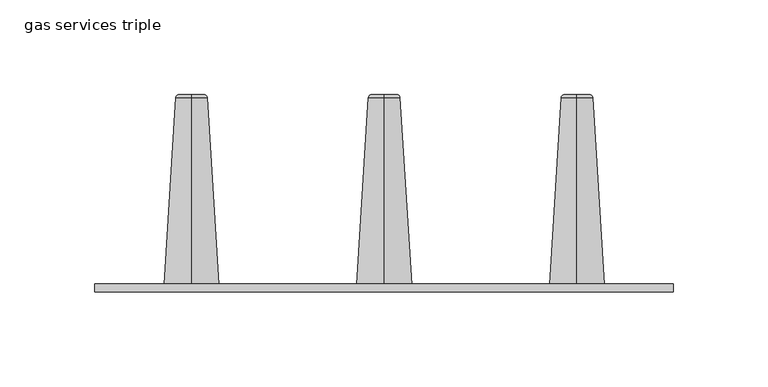
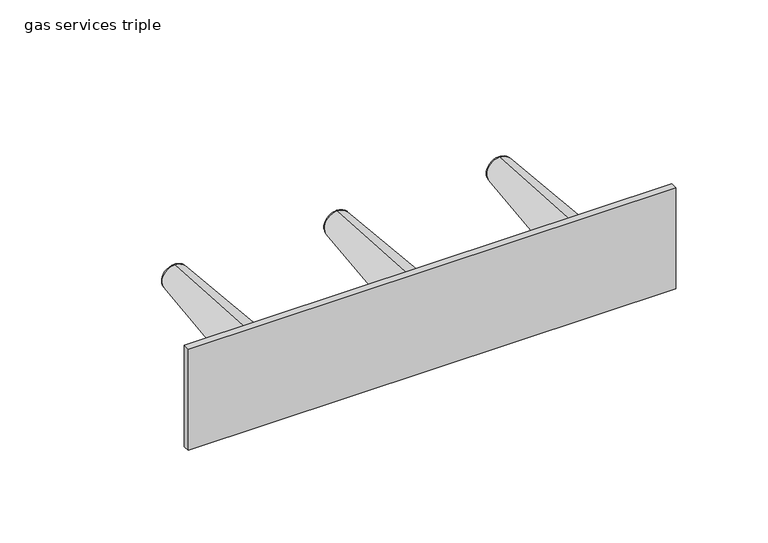
"""IFC4 building model written with IfcOpenShell, lengths in millimetres: flow terminal geometry, gas services triple."""

from ifc_helpers import new_model, si_unit, point, frame, origin, place, context, project, spatial, polyline, circle_curve, ellipse_curve, trimmed, outline, extrude, source, transform, mapped, element, save
from ifc_brep_helpers import plane_surface, revolved_surface, advanced_brep


def gas_services_triple_88c6d71e(model_context):
    return source(origin(), model_context, "Body", "SolidModel", [
        advanced_brep(
        [(-101.1154362, 38.357528, 1099.8610317), (-101.1154362, 38.357528, 1086.2096591), (-101.1154362, 38.357528, 1093.0353454), (-101.1154362, 36.9331421, 1101.3777753), (-101.1154362, 36.9331421, 1084.6929155), (-101.1154362, -61.6390268, 1107.5746328), (-101.1154362, -61.6390268, 1078.4960579), (-101.1154362, -61.6390268, 1093.0353454)],
        [
            (0, 1, circle_curve(frame((-101.1154362, 38.357528, 1093.0353454), z_axis=(0.0, 1.0, 0.0), x_axis=(0.0, 0.0, -1.0)), 6.8256863)),
            (1, 2),
            (2, 0),
            (1, 0, circle_curve(frame((-101.1154362, 38.357528, 1093.0353454), z_axis=(0.0, 1.0, 0.0), x_axis=(0.0, 0.0, -1.0)), 6.8256863)),
            (3, 4, circle_curve(frame((-101.1154362, 36.9331421, 1093.0353454), z_axis=(0.0, 1.0, 0.0), x_axis=(0.0, 0.0, -1.0)), 8.3424299)),
            (4, 1, circle_curve(frame((-101.1154362, 36.8377902, 1086.2096591), z_axis=(1.0, 0.0, 0.0), x_axis=(0.0, -1.0, 0.0)), 1.5197379)),
            (0, 3, circle_curve(frame((-101.1154362, 36.8377902, 1099.8610317), z_axis=(1.0, 0.0, 0.0), x_axis=(0.0, -1.0, 0.0)), 1.5197379)),
            (4, 3, circle_curve(frame((-101.1154362, 36.9331421, 1093.0353454), z_axis=(0.0, 1.0, 0.0), x_axis=(0.0, 0.0, -1.0)), 8.3424299)),
            (5, 6, circle_curve(frame((-101.1154362, -61.6390268, 1093.0353454), z_axis=(0.0, 1.0, 0.0), x_axis=(0.0, 0.0, -1.0)), 14.5392874)),
            (6, 4),
            (3, 5),
            (6, 5, circle_curve(frame((-101.1154362, -61.6390268, 1093.0353454), z_axis=(0.0, 1.0, 0.0), x_axis=(0.0, 0.0, -1.0)), 14.5392874)),
            (7, 6),
            (5, 7),
        ],
        [
            plane_surface(frame((-101.1154362, 38.357528, 1093.0353454), z_axis=(0.0, 1.0, 0.0), x_axis=(0.0, 0.0, -1.0))),
            revolved_surface(trimmed(ellipse_curve(frame((-101.1154362, 36.8377902, 1086.2096591), z_axis=(-1.0, 0.0, 0.0), x_axis=(0.0, -1.0, 0.0)), 1.5197379, 1.5197379), [point((-101.1154362, 38.357528, 1086.2096591))], [point((-101.1154362, 36.9331421, 1084.6929155))], True, "CARTESIAN"), (-101.1154362, -30.0256066, 1093.0353454), (0.0, -1.0, 0.0)),
            revolved_surface(polyline([(-101.1154362, 36.9331421, 1084.6929155), (-101.1154362, -61.6390268, 1078.4960579)]), (-101.1154362, -30.0256066, 1093.0353454), (0.0, -1.0, 0.0)),
            plane_surface(frame((-101.1154362, -61.6390268, 1093.0353454), z_axis=(0.0, -1.0, 0.0), x_axis=(0.0, 0.0, -1.0))),
        ],
        [
            (0, [[1, 2, 3]]),
            (0, [[4, -3, -2]]),
            (1, [[5, 6, -1, 7]]),
            (1, [[8, -7, -4, -6]]),
            (2, [[9, 10, -5, 11]]),
            (2, [[12, -11, -8, -10]]),
            (3, [[13, -9, 14]]),
            (3, [[-14, -12, -13]]),
        ],
    ),
        advanced_brep(
        [(102.0845638, 38.357528, 1099.8610317), (102.0845638, 38.357528, 1086.2096591), (102.0845638, 38.357528, 1093.0353454), (102.0845638, 36.9331421, 1101.3777753), (102.0845638, 36.9331421, 1084.6929155), (102.0845638, -61.6390268, 1107.5746328), (102.0845638, -61.6390268, 1078.4960579), (102.0845638, -61.6390268, 1093.0353454)],
        [
            (0, 1, circle_curve(frame((102.0845638, 38.357528, 1093.0353454), z_axis=(0.0, 1.0, 0.0), x_axis=(0.0, 0.0, -1.0)), 6.8256863)),
            (1, 2),
            (2, 0),
            (1, 0, circle_curve(frame((102.0845638, 38.357528, 1093.0353454), z_axis=(0.0, 1.0, 0.0), x_axis=(0.0, 0.0, -1.0)), 6.8256863)),
            (3, 4, circle_curve(frame((102.0845638, 36.9331421, 1093.0353454), z_axis=(0.0, 1.0, 0.0), x_axis=(0.0, 0.0, -1.0)), 8.3424299)),
            (4, 1, circle_curve(frame((102.0845638, 36.8377902, 1086.2096591), z_axis=(1.0, 0.0, 0.0), x_axis=(0.0, -1.0, 0.0)), 1.5197379)),
            (0, 3, circle_curve(frame((102.0845638, 36.8377902, 1099.8610317), z_axis=(1.0, 0.0, 0.0), x_axis=(0.0, -1.0, 0.0)), 1.5197379)),
            (4, 3, circle_curve(frame((102.0845638, 36.9331421, 1093.0353454), z_axis=(0.0, 1.0, 0.0), x_axis=(0.0, 0.0, -1.0)), 8.3424299)),
            (5, 6, circle_curve(frame((102.0845638, -61.6390268, 1093.0353454), z_axis=(0.0, 1.0, 0.0), x_axis=(0.0, 0.0, -1.0)), 14.5392874)),
            (6, 4),
            (3, 5),
            (6, 5, circle_curve(frame((102.0845638, -61.6390268, 1093.0353454), z_axis=(0.0, 1.0, 0.0), x_axis=(0.0, 0.0, -1.0)), 14.5392874)),
            (7, 6),
            (5, 7),
        ],
        [
            plane_surface(frame((102.0845638, 38.357528, 1093.0353454), z_axis=(0.0, 1.0, 0.0), x_axis=(0.0, 0.0, -1.0))),
            revolved_surface(trimmed(ellipse_curve(frame((102.0845638, 36.8377902, 1086.2096591), z_axis=(-1.0, 0.0, 0.0), x_axis=(0.0, -1.0, 0.0)), 1.5197379, 1.5197379), [point((102.0845638, 38.357528, 1086.2096591))], [point((102.0845638, 36.9331421, 1084.6929155))], True, "CARTESIAN"), (102.0845638, -30.0256066, 1093.0353454), (0.0, -1.0, 0.0)),
            revolved_surface(polyline([(102.0845638, 36.9331421, 1084.6929155), (102.0845638, -61.6390268, 1078.4960579)]), (102.0845638, -30.0256066, 1093.0353454), (0.0, -1.0, 0.0)),
            plane_surface(frame((102.0845638, -61.6390268, 1093.0353454), z_axis=(0.0, -1.0, 0.0), x_axis=(0.0, 0.0, -1.0))),
        ],
        [
            (0, [[1, 2, 3]]),
            (0, [[4, -3, -2]]),
            (1, [[5, 6, -1, 7]]),
            (1, [[8, -7, -4, -6]]),
            (2, [[9, 10, -5, 11]]),
            (2, [[12, -11, -8, -10]]),
            (3, [[13, -9, 14]]),
            (3, [[-14, -12, -13]]),
        ],
    ),
        advanced_brep(
        [(0.4845638, 38.357528, 1099.8610317), (0.4845638, 38.357528, 1086.2096591), (0.4845638, 38.357528, 1093.0353454), (0.4845638, 36.9331421, 1101.3777753), (0.4845638, 36.9331421, 1084.6929155), (0.4845638, -61.6390268, 1107.5746328), (0.4845638, -61.6390268, 1078.4960579), (0.4845638, -61.6390268, 1093.0353454)],
        [
            (0, 1, circle_curve(frame((0.4845638, 38.357528, 1093.0353454), z_axis=(0.0, 1.0, 0.0), x_axis=(0.0, 0.0, -1.0)), 6.8256863)),
            (1, 2),
            (2, 0),
            (1, 0, circle_curve(frame((0.4845638, 38.357528, 1093.0353454), z_axis=(0.0, 1.0, 0.0), x_axis=(0.0, 0.0, -1.0)), 6.8256863)),
            (3, 4, circle_curve(frame((0.4845638, 36.9331421, 1093.0353454), z_axis=(0.0, 1.0, 0.0), x_axis=(0.0, 0.0, -1.0)), 8.3424299)),
            (4, 1, circle_curve(frame((0.4845638, 36.8377902, 1086.2096591), z_axis=(1.0, 0.0, 0.0), x_axis=(0.0, -1.0, 0.0)), 1.5197379)),
            (0, 3, circle_curve(frame((0.4845638, 36.8377902, 1099.8610317), z_axis=(1.0, 0.0, 0.0), x_axis=(0.0, -1.0, 0.0)), 1.5197379)),
            (4, 3, circle_curve(frame((0.4845638, 36.9331421, 1093.0353454), z_axis=(0.0, 1.0, 0.0), x_axis=(0.0, 0.0, -1.0)), 8.3424299)),
            (5, 6, circle_curve(frame((0.4845638, -61.6390268, 1093.0353454), z_axis=(0.0, 1.0, 0.0), x_axis=(0.0, 0.0, -1.0)), 14.5392874)),
            (6, 4),
            (3, 5),
            (6, 5, circle_curve(frame((0.4845638, -61.6390268, 1093.0353454), z_axis=(0.0, 1.0, 0.0), x_axis=(0.0, 0.0, -1.0)), 14.5392874)),
            (7, 6),
            (5, 7),
        ],
        [
            plane_surface(frame((0.4845638, 38.357528, 1093.0353454), z_axis=(0.0, 1.0, 0.0), x_axis=(0.0, 0.0, -1.0))),
            revolved_surface(trimmed(ellipse_curve(frame((0.4845638, 36.8377902, 1086.2096591), z_axis=(-1.0, 0.0, 0.0), x_axis=(0.0, -1.0, 0.0)), 1.5197379, 1.5197379), [point((0.4845638, 38.357528, 1086.2096591))], [point((0.4845638, 36.9331421, 1084.6929155))], True, "CARTESIAN"), (0.4845638, -30.0256066, 1093.0353454), (0.0, -1.0, 0.0)),
            revolved_surface(polyline([(0.4845638, 36.9331421, 1084.6929155), (0.4845638, -61.6390268, 1078.4960579)]), (0.4845638, -30.0256066, 1093.0353454), (0.0, -1.0, 0.0)),
            plane_surface(frame((0.4845638, -61.6390268, 1093.0353454), z_axis=(0.0, -1.0, 0.0), x_axis=(0.0, 0.0, -1.0))),
        ],
        [
            (0, [[1, 2, 3]]),
            (0, [[4, -3, -2]]),
            (1, [[5, 6, -1, 7]]),
            (1, [[8, -7, -4, -6]]),
            (2, [[9, 10, -5, 11]]),
            (2, [[12, -11, -8, -10]]),
            (3, [[13, -9, 14]]),
            (3, [[-14, -12, -13]]),
        ],
    ),
        extrude(outline(polyline([(-152.0728136, -65.6942794), (-152.0728136, -61.5339373), (152.7960827, -61.5339373), (152.7960827, -65.6942794), (-152.0728136, -65.6942794)])), frame((0.0, 0.0, 1058.5936426), z_axis=(0.0, 0.0, 1.0), x_axis=(1.0, 0.0, 0.0)), (0.0, 0.0, 1.0), 66.9438574),
    ])


if __name__ == "__main__":
    model = new_model("IFC4")
    model_context = context("Model", 3, world=origin())
    ifc_project = project(units=[si_unit("LENGTHUNIT", "METRE", prefix="MILLI")], contexts=[model_context])
    site = spatial("IfcSite", under=ifc_project)
    building = spatial("IfcBuilding", under=site)
    placement = place(None, origin())
    gas_services_triple_shape = gas_services_triple_88c6d71e(model_context)
    element("IfcFlowTerminal", 1, ObjectType="gas services triple", at=placement, inside=building, context=model_context, shape_type="MappedRepresentation", body=[
        mapped(gas_services_triple_shape, transform((0.0, 0.0, 0.0), x_axis=(1.0, 0.0, 0.0), y_axis=(0.0, 1.0, 0.0), z_axis=(0.0, 0.0, 1.0))),
    ])
    save(model, "model.ifc")
